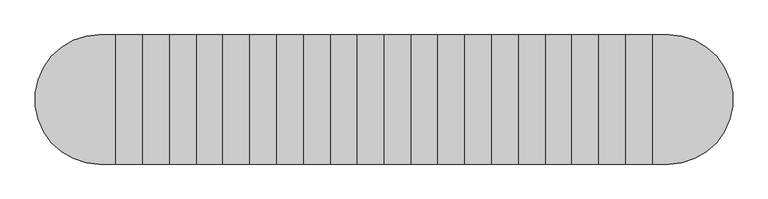
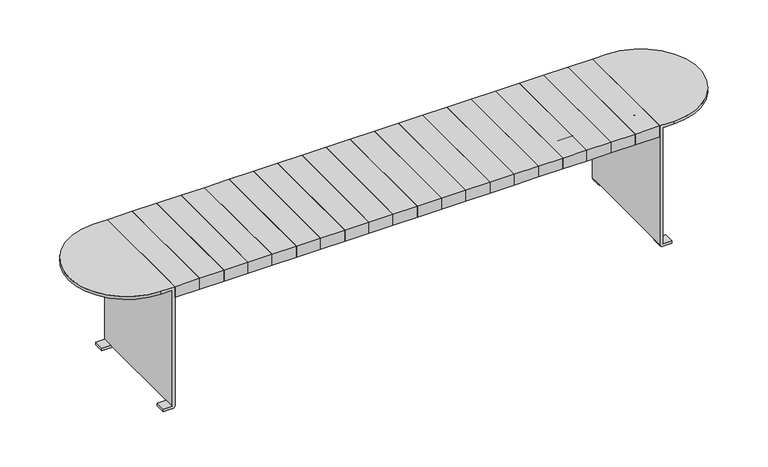
"""IFC4 building model written with IfcOpenShell, lengths in millimetres: furniture geometry."""

import ifcopenshell
import ifcopenshell.guid

model = None  # the IFC model being written
_history = None  # IfcOwnerHistory: only IFC2X3 demands one
_inside = {}  # id of a spatial element -> (the spatial element, [elements in it])
_under = {}  # id of a project, library or spatial element -> (it, [spatial elements below it])
_declared = {}  # id of a project -> (the project, [libraries it declares])
_typed = {}  # id of a type object -> (the type object, [elements of that type])
_made_of = {}  # id of a material, layer set ... -> (it, [elements and type objects made of it])


def new_model(schema):
    """Start an empty IFC model of exactly this schema.

    Asked for "IFC4X3", IfcOpenShell would pick the latest addendum, in which some entities
    have other attributes; the version numbers below select the first issue.
    IFC2X3 requires an IfcOwnerHistory on every rooted entity: one is made here for all.
    """
    global model, _history
    if schema == "IFC4X3":
        model = ifcopenshell.file(schema_version=(4, 3, 0, 0))
    else:
        model = ifcopenshell.file(schema=schema)
    _inside.clear()
    _under.clear()
    _declared.clear()
    _typed.clear()
    _made_of.clear()
    _history = None
    if model.schema == "IFC2X3":
        org = make("IfcOrganization", Name="unknown")
        user = make(
            "IfcPersonAndOrganization",
            ThePerson=make("IfcPerson", FamilyName="unknown"),
            TheOrganization=org,
        )
        app = make(
            "IfcApplication",
            ApplicationDeveloper=org,
            Version="unknown",
            ApplicationFullName="unknown",
            ApplicationIdentifier="unknown",
        )
        _history = make(
            "IfcOwnerHistory",
            OwningUser=user,
            OwningApplication=app,
            ChangeAction="ADDED",
            CreationDate=0,
        )
    return model


def make(cls, **values):
    """One entity of the class cls with the attributes given. An attribute that is None is left unset."""
    return model.create_entity(
        cls, **{name: value for name, value in values.items() if value is not None}
    )


def rooted(cls, **values):
    """An entity with a GlobalId (a new one), such as an element, a storey or a relation."""
    return make(cls, GlobalId=ifcopenshell.guid.new(), OwnerHistory=_history, **values)


def si_unit(unit_type, name, prefix=None):
    """IfcSIUnit, for example si_unit("LENGTHUNIT", "METRE", prefix="MILLI")."""
    return make("IfcSIUnit", UnitType=unit_type, Prefix=prefix, Name=name)


def assignment(units):
    """IfcUnitAssignment: the units of a project."""
    return None if units is None else make("IfcUnitAssignment", Units=units)


def point(xyz):
    """IfcCartesianPoint."""
    return None if xyz is None else make("IfcCartesianPoint", Coordinates=xyz)


def direction(xyz):
    """IfcDirection."""
    return None if xyz is None else make("IfcDirection", DirectionRatios=xyz)


def frame(location, z_axis=None, x_axis=None):
    """IfcAxis2Placement3D, a coordinate frame: its origin and axes. An axis left out is left unset."""
    return make(
        "IfcAxis2Placement3D",
        Location=point(location),
        Axis=direction(z_axis),
        RefDirection=direction(x_axis),
    )


def origin():
    """The frame at (0, 0, 0) with its axes left unset."""
    return frame((0.0, 0.0, 0.0))


def place(relative_to, where):
    """IfcLocalPlacement: puts the frame where relative to a parent placement (None: the world)."""
    return make(
        "IfcLocalPlacement", PlacementRelTo=relative_to, RelativePlacement=where
    )


def context(
    kind, dimensions, precision=None, world=None, true_north=None, identifier=None
):
    """IfcGeometricRepresentationContext, for example the 3D "Model" context."""
    return make(
        "IfcGeometricRepresentationContext",
        ContextIdentifier=identifier,
        ContextType=kind,
        CoordinateSpaceDimension=dimensions,
        Precision=precision,
        WorldCoordinateSystem=world,
        TrueNorth=true_north,
    )


def project(units=None, contexts=None):
    """IfcProject with its units and contexts."""
    return rooted(
        "IfcProject",
        Name="project",
        RepresentationContexts=contexts,
        UnitsInContext=assignment(units),
    )


def spatial(cls, under=None, at=None, **own):
    """A site, building, storey or space (cls), placed at a placement, below another one or the project."""
    s = rooted(cls, ObjectPlacement=at, **own)
    if under is not None:
        _under.setdefault(under.id(), (under, []))[1].append(s)
    return s


def polyline(points):
    """IfcPolyline through the points."""
    return make("IfcPolyline", Points=[point(p) for p in points])


def circle_curve(where, radius):
    """IfcCircle in the frame where."""
    return make("IfcCircle", Position=where, Radius=radius)


def outline(outer, holes=None, kind="AREA"):
    """IfcArbitraryClosedProfileDef: a profile drawn as a closed curve; with holes, ...WithVoids."""
    if holes is None:
        return make("IfcArbitraryClosedProfileDef", ProfileType=kind, OuterCurve=outer)
    return make(
        "IfcArbitraryProfileDefWithVoids",
        ProfileType=kind,
        OuterCurve=outer,
        InnerCurves=holes,
    )


def extrude(swept, where, along, depth):
    """IfcExtrudedAreaSolid: the profile swept, set in the frame where, extruded along a direction by depth."""
    return make(
        "IfcExtrudedAreaSolid",
        SweptArea=swept,
        Position=where,
        ExtrudedDirection=direction(along),
        Depth=depth,
    )


def shape(context_of_items, identifier, shape_type, items):
    """IfcShapeRepresentation: the items that make up one representation, for example the "Body"."""
    return make(
        "IfcShapeRepresentation",
        ContextOfItems=context_of_items,
        RepresentationIdentifier=identifier,
        RepresentationType=shape_type,
        Items=items,
    )


def source(mapping_origin, context_of_items, identifier, shape_type, items):
    """IfcRepresentationMap: a shape defined once, which mapped items show again and again."""
    return make(
        "IfcRepresentationMap",
        MappingOrigin=mapping_origin,
        MappedRepresentation=shape(context_of_items, identifier, shape_type, items),
    )


def transform(
    local_origin,
    x_axis=None,
    y_axis=None,
    z_axis=None,
    scale=None,
    scale2=None,
    scale3=None,
    uniform=True,
):
    """IfcCartesianTransformationOperator3D, or its non-uniform kind. x_axis, y_axis, z_axis: its Axis1, 2, 3."""
    if uniform:
        return make(
            "IfcCartesianTransformationOperator3D",
            Axis1=direction(x_axis),
            Axis2=direction(y_axis),
            LocalOrigin=point(local_origin),
            Scale=scale,
            Axis3=direction(z_axis),
        )
    return make(
        "IfcCartesianTransformationOperator3DnonUniform",
        Axis1=direction(x_axis),
        Axis2=direction(y_axis),
        LocalOrigin=point(local_origin),
        Scale=scale,
        Axis3=direction(z_axis),
        Scale2=scale2,
        Scale3=scale3,
    )


def mapped(mapping_source, mapping_target):
    """IfcMappedItem: shows the shape of a source again, moved by a transform."""
    return make(
        "IfcMappedItem", MappingSource=mapping_source, MappingTarget=mapping_target
    )


def made_of(thing, what):
    """Note that an element or type object is made of a material, layer set ...; save() writes the relation."""
    if what is not None:
        _made_of.setdefault(what.id(), (what, []))[1].append(thing)
    return thing


def element(
    cls,
    number,
    at=None,
    inside=None,
    cuts=None,
    type_object=None,
    material=None,
    context=None,
    identifier="Body",
    shape_type=None,
    held_by="IfcProductDefinitionShape",
    body=None,
    shapes=None,
    **own,
):
    """One element of the class cls, such as IfcWall. Its Tag is "e" and its number.

    at: its placement. inside: the storey or other place that contains it. cuts: it is an
    opening in that element (IfcRelVoidsElement). A single representation is given by context,
    identifier, shape_type and body (its items); several are given by shapes. held_by: the class
    of the entity that holds the representations. save() writes the other relations.
    """
    e = rooted(cls, Tag="e%d" % number, ObjectPlacement=at, **own)
    if body is not None:
        shapes = [shape(context, identifier, shape_type, body)]
    if shapes is not None:
        e.Representation = make(held_by, Representations=shapes)
    if inside is not None:
        _inside.setdefault(inside.id(), (inside, []))[1].append(e)
    if cuts is not None:
        rooted(
            "IfcRelVoidsElement", RelatingBuildingElement=cuts, RelatedOpeningElement=e
        )
    if type_object is not None:
        _typed.setdefault(type_object.id(), (type_object, []))[1].append(e)
    return made_of(e, material)


def aggregate(whole, parts):
    """IfcRelAggregates: a whole, such as a stair, and the parts it consists of."""
    return rooted("IfcRelAggregates", RelatingObject=whole, RelatedObjects=parts)


def save(model, path):
    """Write the relations noted so far, then the file.

    IfcRelAggregates (storeys below a building ...), IfcRelContainedInSpatialStructure (elements
    in a storey), IfcRelDefinesByType, IfcRelAssociatesMaterial and IfcRelDeclares: one each for
    every whole, place, type object, material and project.
    """
    for whole, parts in _under.values():
        aggregate(whole, parts)
    for where, things in _inside.values():
        rooted(
            "IfcRelContainedInSpatialStructure",
            RelatedElements=things,
            RelatingStructure=where,
        )
    for kind, things in _typed.values():
        rooted("IfcRelDefinesByType", RelatedObjects=things, RelatingType=kind)
    for what, things in _made_of.values():
        rooted("IfcRelAssociatesMaterial", RelatedObjects=things, RelatingMaterial=what)
    for by, libraries in _declared.values():
        rooted("IfcRelDeclares", RelatingContext=by, RelatedDefinitions=libraries)
    model.write(path)


def plane_surface(at):
    """IfcPlane: the flat surface through the origin of the frame at, square to its z axis."""
    return make("IfcPlane", Position=at)


def cylinder_surface(at, radius):
    """IfcCylindricalSurface: all points at the distance radius from the z axis of the frame at."""
    return make("IfcCylindricalSurface", Position=at, Radius=radius)


def revolved_surface(curve, axis_point, axis_direction):
    """IfcSurfaceOfRevolution: the curve turned about the line through axis_point along axis_direction."""
    return make(
        "IfcSurfaceOfRevolution",
        SweptCurve=make("IfcArbitraryOpenProfileDef", ProfileType="CURVE", Curve=curve),
        AxisPosition=make("IfcAxis1Placement", Location=point(axis_point), Axis=direction(axis_direction)),
    )


def advanced_brep(points, edges, surfaces, faces):
    """IfcAdvancedBrep: a solid bounded by faces that lie on surfaces and meet in shared edges.

    An edge is (start, end): straight between two places in points (the first is 0);
    or (start, end, curve); or (start, end, curve, False) where it runs against its curve.
    A face is (place in surfaces, loops), or (place, loops, False) where it looks against
    its surface's normal. A loop lists edges by number (the first is 1), with a minus sign
    where the edge is run from its end to its start. The first loop is the outer one.
    """
    corners = [point(p) for p in points]
    vertices = [make("IfcVertexPoint", VertexGeometry=c) for c in corners]
    made = []
    for start, end, *more in edges:
        made.append(
            make(
                "IfcEdgeCurve",
                EdgeStart=vertices[start],
                EdgeEnd=vertices[end],
                EdgeGeometry=more[0] if more else make("IfcPolyline", Points=[corners[start], corners[end]]),
                SameSense=more[1] if len(more) > 1 else True,
            )
        )
    hull = []
    for where, loops, *sense in faces:
        bounds = []
        for j, loop in enumerate(loops):
            ring = [make("IfcOrientedEdge", EdgeElement=made[abs(k) - 1], Orientation=k > 0) for k in loop]
            bounds.append(
                make(
                    "IfcFaceOuterBound" if j == 0 else "IfcFaceBound",
                    Bound=make("IfcEdgeLoop", EdgeList=ring),
                    Orientation=True,
                )
            )
        hull.append(make("IfcAdvancedFace", Bounds=bounds, FaceSurface=surfaces[where], SameSense=sense[0] if sense else True))
    return make("IfcAdvancedBrep", Outer=make("IfcClosedShell", CfsFaces=hull))


def furniture_bc747d1f(model_context):
    return source(origin(), model_context, "Body", "SolidModel", [
        advanced_brep(
        [(-438.9493478, 55.5135142, 364.1867082), (-438.9493478, 60.5135142, 364.1867082), (-473.9493478, 60.513034, 364.1867082), (-473.9493478, 55.5135142, 364.1867082), (438.9493478, 55.5135142, 364.1867082), (438.9493478, 60.5135142, 364.1867082), (473.9493478, 60.513034, 364.1867082), (473.9493478, 55.5135142, 364.1867082), (826.379425, 60.513034, 394.6382749), (826.379425, 61.513034, 395.6382749), (826.379425, 62.4997599, 395.6382749), (826.379425, 62.4997599, 400.6382749), (826.379425, 61.513034, 400.6382749), (826.379425, 55.513034, 394.6382749), (826.379425, 55.513034, 393.1147491), (826.379425, 60.513034, 393.1147491), (-826.379425, 55.513034, 394.6382749), (-826.379425, 61.513034, 400.6382749), (-826.379425, 62.4997599, 400.6382749), (-826.379425, 62.4997599, 395.6382749), (-826.379425, 61.513034, 395.6382749), (-826.379425, 60.513034, 394.6382749), (-826.379425, 60.513034, 393.1147491), (-826.379425, 55.513034, 393.1147491), (826.379425, 55.513034, 340.151549), (-826.379425, 55.513034, 340.151549), (-826.379425, 60.513034, 340.151549), (826.379425, 60.513034, 340.151549), (831.379425, 62.4997599, 400.6382749), (831.379425, 99.9997599, 400.6382749), (-831.379425, 99.9997599, 400.6382749), (-831.379425, 62.4997599, 400.6382749), (-826.379425, 99.9997599, 395.6382749), (826.379425, 99.9997599, 395.6382749), (-826.379425, 62.4997599, 393.1147491), (-826.379425, -55.513034, 393.1147491), (-826.379425, -55.513034, 340.151549), (-826.379425, -60.513034, 340.151549), (-826.379425, -60.513034, 393.1147491), (-826.379425, -62.4997599, 393.1147491), (-826.379425, -62.4997599, 395.6382749), (-826.379425, -99.9997599, 395.6382749), (-826.379425, -99.9997599, 347.7588499), (-826.379425, 100.0002401, 347.7588499), (-831.379425, 100.0002401, 347.7588499), (-831.379425, -99.9997599, 347.7588499), (-831.379425, -99.9997599, 400.6382749), (-831.379425, -62.4997599, 400.6382749), (-831.379425, -62.4997599, 393.1147491), (-831.379425, 62.4997599, 393.1147491), (831.379425, 100.0002401, 347.7588499), (826.379425, 100.0002401, 347.7588499), (826.379425, -99.9997599, 395.6382749), (826.379425, -99.9997599, 347.7588499), (831.379425, -99.9997599, 347.7588499), (831.379425, -99.9997599, 400.6382749), (-826.379425, -62.4997599, 400.6382749), (831.379425, -62.4997599, 400.6382749), (831.379425, -62.4997599, 393.1147491), (826.379425, -62.4997599, 393.1147491), (826.379425, -62.4997599, 395.6382749), (826.379425, -62.4997599, 400.6382749), (826.379425, -61.513034, 400.6382749), (-826.379425, -61.513034, 400.6382749), (-826.379425, -61.513034, 395.6382749), (826.379425, -61.513034, 395.6382749), (826.379425, -60.513034, 393.1147491), (826.379425, -60.513034, 340.151549), (826.379425, -55.513034, 340.151549), (826.379425, -55.513034, 393.1147491), (826.379425, 62.4997599, 393.1147491), (831.379425, 62.4997599, 393.1147491), (826.379425, -55.513034, 394.6382749), (826.379425, -60.513034, 394.6382749), (-826.379425, -60.513034, 394.6382749), (-826.379425, -55.513034, 394.6382749)],
        [
            (0, 1),
            (1, 2, circle_curve(frame((-456.4493478, 60.513034, 364.1867082), z_axis=(0.0, 1.0, 0.0), x_axis=(1.0, 0.0, 0.0)), 17.5)),
            (2, 3),
            (3, 0, circle_curve(frame((-456.4493478, 55.513034, 364.1867082), z_axis=(0.0, -1.0, 0.0), x_axis=(1.0, 0.0, 0.0)), 17.5)),
            (0, 3, circle_curve(frame((-456.4493478, 55.513034, 364.1867082), z_axis=(0.0, -1.0, 0.0), x_axis=(1.0, 0.0, 0.0)), 17.5)),
            (2, 1, circle_curve(frame((-456.4493478, 60.513034, 364.1867082), z_axis=(0.0, 1.0, 0.0), x_axis=(1.0, 0.0, 0.0)), 17.5)),
            (4, 5),
            (5, 6, circle_curve(frame((456.4493478, 60.513034, 364.1867082), z_axis=(0.0, 1.0, 0.0), x_axis=(-1.0, 0.0, 0.0)), 17.5)),
            (6, 7),
            (7, 4, circle_curve(frame((456.4493478, 55.513034, 364.1867082), z_axis=(0.0, -1.0, 0.0), x_axis=(-1.0, 0.0, 0.0)), 17.5)),
            (4, 7, circle_curve(frame((456.4493478, 55.513034, 364.1867082), z_axis=(0.0, -1.0, 0.0), x_axis=(-1.0, 0.0, 0.0)), 17.5)),
            (6, 5, circle_curve(frame((456.4493478, 60.513034, 364.1867082), z_axis=(0.0, 1.0, 0.0), x_axis=(-1.0, 0.0, 0.0)), 17.5)),
            (8, 9, circle_curve(frame((826.379425, 61.513034, 394.6382749), z_axis=(-1.0, 0.0, 0.0), x_axis=(0.0, 1.0, 0.0)), 1.0)),
            (9, 10),
            (10, 11),
            (11, 12),
            (12, 13, circle_curve(frame((826.379425, 61.513034, 394.6382749), z_axis=(1.0, 0.0, 0.0), x_axis=(0.0, 1.0, 0.0)), 6.0)),
            (13, 14),
            (14, 15),
            (15, 8),
            (16, 17, circle_curve(frame((-826.379425, 61.513034, 394.6382749), z_axis=(-1.0, 0.0, 0.0), x_axis=(0.0, 1.0, 0.0)), 6.0)),
            (17, 18),
            (18, 19),
            (19, 20),
            (20, 21, circle_curve(frame((-826.379425, 61.513034, 394.6382749), z_axis=(1.0, 0.0, 0.0), x_axis=(0.0, 1.0, 0.0)), 1.0)),
            (21, 22),
            (22, 23),
            (23, 16),
            (24, 25),
            (25, 26),
            (26, 27),
            (27, 24),
            (24, 14),
            (13, 16),
            (23, 25),
            (12, 17),
            (11, 28),
            (28, 29),
            (29, 30),
            (30, 31),
            (31, 18),
            (9, 20),
            (19, 32),
            (32, 33),
            (33, 10),
            (8, 21),
            (26, 22),
            (15, 27),
            (19, 34),
            (34, 22),
            (23, 35),
            (35, 36),
            (36, 37),
            (37, 38),
            (38, 39),
            (39, 40),
            (40, 41),
            (41, 42),
            (42, 43, circle_curve(frame((-826.379425, 0.0002401, 421.080061), z_axis=(1.0, 0.0, 0.0), x_axis=(0.0, -0.8064516129032312, -0.5913000896717141)), 124.0)),
            (43, 32),
            (44, 45, circle_curve(frame((-831.379425, 0.0002401, 421.080061), z_axis=(-1.0, 0.0, 0.0), x_axis=(0.0, -0.8064516129032312, -0.5913000896717141)), 124.0)),
            (45, 46),
            (46, 47),
            (47, 48),
            (48, 49),
            (49, 31),
            (30, 44),
            (43, 44),
            (29, 50),
            (50, 51),
            (51, 33),
            (34, 49),
            (48, 39),
            (38, 35),
            (45, 42),
            (41, 52),
            (52, 53),
            (53, 54),
            (54, 55),
            (55, 46),
            (47, 56),
            (56, 40),
            (57, 58),
            (58, 59),
            (59, 60),
            (60, 61),
            (61, 57),
            (55, 57),
            (61, 62),
            (62, 63),
            (63, 56),
            (40, 64),
            (64, 65),
            (65, 60),
            (60, 52),
            (59, 66),
            (66, 67),
            (67, 68),
            (68, 69),
            (69, 14),
            (15, 70),
            (70, 10),
            (51, 53, circle_curve(frame((826.379425, 0.0002401, 421.080061), z_axis=(-1.0, 0.0, 0.0), x_axis=(0.0, -0.8064516129032312, -0.5913000896717141)), 124.0)),
            (54, 50, circle_curve(frame((831.379425, 0.0002401, 421.080061), z_axis=(1.0, 0.0, 0.0), x_axis=(0.0, -0.8064516129032312, -0.5913000896717141)), 124.0)),
            (28, 71),
            (71, 58),
            (72, 62, circle_curve(frame((826.379425, -61.513034, 394.6382749), z_axis=(1.0, 0.0, 0.0), x_axis=(0.0, -1.0, 0.0)), 6.0)),
            (65, 73, circle_curve(frame((826.379425, -61.513034, 394.6382749), z_axis=(-1.0, 0.0, 0.0), x_axis=(0.0, -1.0, 0.0)), 1.0)),
            (73, 66),
            (66, 69),
            (69, 72),
            (74, 64, circle_curve(frame((-826.379425, -61.513034, 394.6382749), z_axis=(1.0, 0.0, 0.0), x_axis=(0.0, -1.0, 0.0)), 1.0)),
            (63, 75, circle_curve(frame((-826.379425, -61.513034, 394.6382749), z_axis=(-1.0, 0.0, 0.0), x_axis=(0.0, -1.0, 0.0)), 6.0)),
            (75, 35),
            (38, 74),
            (67, 37),
            (36, 68),
            (75, 72),
            (74, 73),
            (71, 70),
        ],
        [
            revolved_surface(polyline([(-438.9493478, 55.513034, 364.1867082), (-438.9493478, 60.5135142, 364.1867082)]), (-456.4493478, 60.5135142, 364.1867082), (0.0, -1.0, 0.0)),
            revolved_surface(polyline([(438.9493478, 55.513034, 364.1867082), (438.9493478, 60.5135142, 364.1867082)]), (456.4493478, 0.0, 364.1867082), (0.0, -1.0, 0.0)),
            plane_surface(frame((826.379425, 60.513034, 394.6382749), z_axis=(1.0, 0.0, 0.0), x_axis=(0.0, 0.0, 1.0))),
            plane_surface(frame((-826.379425, 60.513034, 394.6382749), z_axis=(-1.0, 0.0, 0.0), x_axis=(0.0, 0.0, -1.0))),
            plane_surface(frame((826.379425, 55.513034, 340.151549), z_axis=(0.0, 0.0, -1.0), x_axis=(-1.0, 0.0, 0.0))),
            plane_surface(frame((826.379425, 55.513034, 394.6382749), z_axis=(0.0, -1.0, 0.0), x_axis=(-1.0, 0.0, 0.0))),
            cylinder_surface(frame((-826.379425, 61.513034, 394.6382749), z_axis=(1.0, 0.0, 0.0), x_axis=(0.0, 1.0, 0.0)), 6.0),
            plane_surface(frame((826.379425, 62.4997599, 400.6382749), z_axis=(0.0, 0.0, 1.0), x_axis=(-1.0, 0.0, 0.0))),
            plane_surface(frame((826.379425, 61.513034, 395.6382749), z_axis=(0.0, 0.0, -1.0), x_axis=(-1.0, 0.0, 0.0))),
            revolved_surface(polyline([(-826.379425, 62.513034, 394.6382749), (826.379425, 62.513034, 394.6382749)]), (-826.379425, 61.513034, 394.6382749), (-1.0, 0.0, 0.0)),
            plane_surface(frame((826.379425, 60.513034, 340.151549), z_axis=(0.0, 1.0, 0.0), x_axis=(-1.0, 0.0, 0.0))),
            plane_surface(frame((-826.379425, 100.0002401, 347.7588499), z_axis=(1.0, 0.0, 0.0), x_axis=(0.0, 0.0, 1.0))),
            plane_surface(frame((-831.379425, 100.0002401, 347.7588499), z_axis=(-1.0, 0.0, 0.0), x_axis=(0.0, 0.0, -1.0))),
            plane_surface(frame((-826.379425, 100.0002401, 347.7588499), z_axis=(0.0, 1.0, 0.0), x_axis=(-1.0, 0.0, 0.0))),
            plane_surface(frame((-826.379425, 100.0002401, 393.1147491), z_axis=(0.0, 0.0, 1.0), x_axis=(-1.0, 0.0, 0.0))),
            plane_surface(frame((-826.379425, -99.9997599, 393.1147491), z_axis=(0.0, -1.0, 0.0), x_axis=(-1.0, 0.0, 0.0))),
            cylinder_surface(frame((-831.379425, 0.0002401, 421.080061), z_axis=(1.0000000000000002, 0.0, 0.0), x_axis=(0.0, -0.8064516129032312, -0.5913000896717141)), 124.0),
            plane_surface(frame((826.379425, -62.4997599, 393.1147491), z_axis=(0.0, 1.0, 0.0), x_axis=(0.0, 0.0, 1.0))),
            plane_surface(frame((831.379425, -99.9997599, 400.6382749), z_axis=(0.0, 0.0, 1.0), x_axis=(0.0, 1.0, 0.0))),
            plane_surface(frame((-826.379425, -99.9997599, 395.6382749), z_axis=(0.0, 0.0, -1.0), x_axis=(0.0, 1.0, 0.0))),
            plane_surface(frame((826.379425, -99.9997599, 395.6382749), z_axis=(-1.0, 0.0, 0.0), x_axis=(0.0, 1.0, 0.0))),
            plane_surface(frame((831.379425, -99.9997599, 393.1147491), z_axis=(1.0, 0.0, 0.0), x_axis=(0.0, 1.0, 0.0))),
            plane_surface(frame((826.379425, -60.513034, 340.151549), z_axis=(1.0, 0.0, 0.0), x_axis=(0.0, 1.0, 0.0))),
            plane_surface(frame((-826.379425, -60.513034, 340.151549), z_axis=(-1.0, 0.0, 0.0), x_axis=(0.0, -1.0, 0.0))),
            plane_surface(frame((826.379425, -60.513034, 340.151549), z_axis=(0.0, 0.0, -1.0), x_axis=(-1.0, 0.0, 0.0))),
            plane_surface(frame((826.379425, -55.513034, 340.151549), z_axis=(0.0, 1.0, 0.0), x_axis=(-1.0, 0.0, 0.0))),
            cylinder_surface(frame((-826.379425, -61.513034, 394.6382749), z_axis=(1.0, 0.0, 0.0), x_axis=(0.0, -1.0, 0.0)), 6.0),
            revolved_surface(polyline([(-826.379425, -62.513034, 394.6382749), (826.379425, -62.513034, 394.6382749)]), (-826.379425, -61.513034, 394.6382749), (-1.0, 0.0, 0.0)),
            plane_surface(frame((826.379425, -60.513034, 394.6382749), z_axis=(0.0, -1.0, 0.0), x_axis=(-1.0, 0.0, 0.0))),
            plane_surface(frame((826.379425, -99.9997599, 393.1147491), z_axis=(0.0, 0.0, 1.0), x_axis=(1.0, 0.0, 0.0))),
            cylinder_surface(frame((831.379425, 0.0002401, 421.080061), z_axis=(-1.0000000000000002, 0.0, 0.0), x_axis=(0.0, -0.8064516129032312, -0.5913000896717141)), 124.0),
            plane_surface(frame((-825.879425, 62.4997599, 395.6382749), z_axis=(0.0, -1.0, 0.0), x_axis=(1.0, 0.0, 0.0))),
        ],
        [
            (0, [[1, 2, 3, 4]]),
            (0, [[-1, 5, -3, 6]]),
            (1, [[7, 8, 9, 10]]),
            (1, [[-7, 11, -9, 12]]),
            (2, [[13, 14, 15, 16, 17, 18, 19, 20]]),
            (3, [[21, 22, 23, 24, 25, 26, 27, 28]]),
            (4, [[29, 30, 31, 32]]),
            (5, [[-29, 33, -18, 34, -28, 35], [-4, -5], [-10, -11]]),
            (6, [[-17, 36, -21, -34]]),
            (7, [[-16, 37, 38, 39, 40, 41, -22, -36]]),
            (8, [[-14, 42, -24, 43, 44, 45]]),
            (9, [[-13, 46, -25, -42]]),
            (10, [[-31, 47, -26, -46, -20, 48], [-2, -6], [-8, -12]]),
            (11, [[-43, 49, 50, -47, -30, -35, 51, 52, 53, 54, 55, 56, 57, 58, 59, 60]]),
            (12, [[61, 62, 63, 64, 65, 66, -40, 67]]),
            (13, [[-60, 68, -67, -39, 69, 70, 71, -44]]),
            (14, [[-27, -50, 72, -65, 73, -55, 74, -51]]),
            (15, [[75, -58, 76, 77, 78, 79, 80, -62]]),
            (16, [[-59, -75, -61, -68]]),
            (17, [[-56, -73, -64, 81, 82]]),
            (17, [[83, 84, 85, 86, 87]]),
            (18, [[-80, 88, -87, 89, 90, 91, -81, -63]]),
            (19, [[-76, -57, 92, 93, 94, 95]]),
            (20, [[-85, 96, 97, 98, 99, 100, -33, -32, -48, 101, 102, -45, -71, 103, -77, -95]]),
            (21, [[-83, -88, -79, 104, -69, -38, 105, 106]]),
            (22, [[107, -89, -86, -94, 108, 109, 110, 111]]),
            (23, [[112, -92, -82, -91, 113, 114, -74, 115]]),
            (24, [[116, -53, 117, -98]]),
            (25, [[-117, -52, -114, 118, -111, -99]]),
            (26, [[-107, -118, -113, -90]]),
            (27, [[-108, -93, -112, 119]]),
            (28, [[-116, -97, -109, -119, -115, -54]]),
            (29, [[-100, -110, -96, -84, -106, 120, -101, -19]]),
            (30, [[-103, -70, -104, -78]]),
            (31, [[-66, -72, -49, -23, -41]]),
            (31, [[-102, -120, -105, -37, -15]]),
        ],
    ),
        extrude(outline(polyline([(83.1700951, -200.0), (0.0, -200.0), (0.0, 200.0), (83.1700951, 200.0), (83.1700951, -200.0)])), frame((0.0, 0.0, 400.6382749), z_axis=(0.0, 0.0, 1.0), x_axis=(1.0, 0.0, 0.0)), (0.0, 0.0, 1.0), 39.120575),
        extrude(outline(polyline([(165.5884938, -200.0), (83.1700951, -200.0), (83.1700951, 200.0), (165.5884938, 200.0), (165.5884938, -200.0)])), frame((0.0, 0.0, 400.6382749), z_axis=(0.0, 0.0, 1.0), x_axis=(1.0, 0.0, 0.0)), (0.0, 0.0, 1.0), 39.120575),
        extrude(outline(polyline([(249.0266735, -200.0), (165.5884938, -200.0), (165.5884938, 200.0), (249.0266735, 200.0), (249.0266735, -200.0)])), frame((0.0, 0.0, 400.6382749), z_axis=(0.0, 0.0, 1.0), x_axis=(1.0, 0.0, 0.0)), (0.0, 0.0, 1.0), 39.120575),
        extrude(outline(polyline([(331.8102592, -200.0), (249.0266735, -200.0), (249.0266735, 200.0), (331.8102592, 200.0), (331.8102592, -200.0)])), frame((0.0, 0.0, 400.6382749), z_axis=(0.0, 0.0, 1.0), x_axis=(1.0, 0.0, 0.0)), (0.0, 0.0, 1.0), 39.120575),
        extrude(outline(polyline([(415.2051572, -200.0), (331.8102592, -200.0), (331.8102592, 200.0), (415.2051572, 200.0), (415.2051572, -200.0)])), frame((0.0, 0.0, 400.6382749), z_axis=(0.0, 0.0, 1.0), x_axis=(1.0, 0.0, 0.0)), (0.0, 0.0, 1.0), 39.120575),
        extrude(outline(polyline([(498.7851293, -200.0), (415.2051572, -200.0), (415.2051572, 200.0), (498.7851293, 200.0), (498.7851293, -200.0)])), frame((0.0, 0.0, 400.6382749), z_axis=(0.0, 0.0, 1.0), x_axis=(1.0, 0.0, 0.0)), (0.0, 0.0, 1.0), 39.120575),
        extrude(outline(polyline([(580.2051572, -200.0), (498.7851293, -200.0), (498.7851293, 200.0), (580.2051572, 200.0), (580.2051572, -200.0)])), frame((0.0, 0.0, 400.6382749), z_axis=(0.0, 0.0, 1.0), x_axis=(1.0, 0.0, 0.0)), (0.0, 0.0, 1.0), 39.120575),
        extrude(outline(polyline([(663.7851293, -200.0), (580.2051572, -200.0), (580.2051572, 200.0), (663.7851293, 200.0), (663.7851293, -200.0)])), frame((0.0, 0.0, 400.6382749), z_axis=(0.0, 0.0, 1.0), x_axis=(1.0, 0.0, 0.0)), (0.0, 0.0, 1.0), 39.120575),
        extrude(outline(polyline([(746.8041619, -200.0), (663.7851293, -200.0), (663.7851293, 200.0), (746.8041619, 200.0), (746.8041619, -200.0)])), frame((0.0, 0.0, 400.6382749), z_axis=(0.0, 0.0, 1.0), x_axis=(1.0, 0.0, 0.0)), (0.0, 0.0, 1.0), 39.120575),
        extrude(outline(polyline([(831.379425, -200.0), (746.8041619, -200.0), (746.8041619, 200.0), (831.379425, 200.0), (831.379425, -200.0)])), frame((0.0, 0.0, 400.6382749), z_axis=(0.0, 0.0, 1.0), x_axis=(1.0, 0.0, 0.0)), (0.0, 0.0, 1.0), 39.120575),
        extrude(outline(polyline([(0.0, -200.0), (-83.1700951, -200.0), (-83.1700951, 200.0), (0.0, 200.0), (0.0, -200.0)])), frame((0.0, 0.0, 400.6382749), z_axis=(0.0, 0.0, 1.0), x_axis=(1.0, 0.0, 0.0)), (0.0, 0.0, 1.0), 39.120575),
        extrude(outline(polyline([(-83.1700951, -200.0), (-165.5884938, -200.0), (-165.5884938, 200.0), (-83.1700951, 200.0), (-83.1700951, -200.0)])), frame((0.0, 0.0, 400.6382749), z_axis=(0.0, 0.0, 1.0), x_axis=(1.0, 0.0, 0.0)), (0.0, 0.0, 1.0), 39.120575),
        extrude(outline(polyline([(-165.5884938, -200.0), (-249.0266735, -200.0), (-249.0266735, 200.0), (-165.5884938, 200.0), (-165.5884938, -200.0)])), frame((0.0, 0.0, 400.6382749), z_axis=(0.0, 0.0, 1.0), x_axis=(1.0, 0.0, 0.0)), (0.0, 0.0, 1.0), 39.120575),
        extrude(outline(polyline([(-249.0266735, -200.0), (-331.8102592, -200.0), (-331.8102592, 200.0), (-249.0266735, 200.0), (-249.0266735, -200.0)])), frame((0.0, 0.0, 400.6382749), z_axis=(0.0, 0.0, 1.0), x_axis=(1.0, 0.0, 0.0)), (0.0, 0.0, 1.0), 39.120575),
        extrude(outline(polyline([(-331.8102592, -200.0), (-415.2051572, -200.0), (-415.2051572, 200.0), (-331.8102592, 200.0), (-331.8102592, -200.0)])), frame((0.0, 0.0, 400.6382749), z_axis=(0.0, 0.0, 1.0), x_axis=(1.0, 0.0, 0.0)), (0.0, 0.0, 1.0), 39.120575),
        extrude(outline(polyline([(-415.2051572, -200.0), (-498.7851293, -200.0), (-498.7851293, 200.0), (-415.2051572, 200.0), (-415.2051572, -200.0)])), frame((0.0, 0.0, 400.6382749), z_axis=(0.0, 0.0, 1.0), x_axis=(1.0, 0.0, 0.0)), (0.0, 0.0, 1.0), 39.120575),
        extrude(outline(polyline([(-498.7851293, -200.0), (-580.2051572, -200.0), (-580.2051572, 200.0), (-498.7851293, 200.0), (-498.7851293, -200.0)])), frame((0.0, 0.0, 400.6382749), z_axis=(0.0, 0.0, 1.0), x_axis=(1.0, 0.0, 0.0)), (0.0, 0.0, 1.0), 39.120575),
        extrude(outline(polyline([(-580.2051572, -200.0), (-663.7851293, -200.0), (-663.7851293, 200.0), (-580.2051572, 200.0), (-580.2051572, -200.0)])), frame((0.0, 0.0, 400.6382749), z_axis=(0.0, 0.0, 1.0), x_axis=(1.0, 0.0, 0.0)), (0.0, 0.0, 1.0), 39.120575),
        extrude(outline(polyline([(-663.7851293, -200.0), (-746.8041619, -200.0), (-746.8041619, 200.0), (-663.7851293, 200.0), (-663.7851293, -200.0)])), frame((0.0, 0.0, 400.6382749), z_axis=(0.0, 0.0, 1.0), x_axis=(1.0, 0.0, 0.0)), (0.0, 0.0, 1.0), 39.120575),
        extrude(outline(polyline([(-746.8041619, -200.0), (-831.379425, -200.0), (-831.379425, 200.0), (-746.8041619, 200.0), (-746.8041619, -200.0)])), frame((0.0, 0.0, 400.6382749), z_axis=(0.0, 0.0, 1.0), x_axis=(1.0, 0.0, 0.0)), (0.0, 0.0, 1.0), 39.120575),
        advanced_brep(
        [(831.379425, 200.0, 439.7588499), (831.379425, -200.0, 439.7588499), (881.379425, -200.0, 439.7588499), (881.379425, 200.0, 439.7588499), (881.379425, 200.0, 429.7588499), (881.379425, -200.0, 429.7588499), (841.379425, -200.0, 429.7588499), (841.379425, 200.0, 429.7588499), (831.379425, -200.0, 10.0), (842.379425, -200.0, 0.0), (872.1382749, -200.0, 0.0), (872.1382749, -200.0, 10.0), (841.379425, -200.0, 10.0), (831.379425, 200.0, 10.0), (831.379425, 164.9997913, 10.0), (831.379425, -164.9997913, 10.0), (841.379425, 200.0, 10.0), (872.1382749, 200.0, 10.0), (872.1382749, 200.0, 0.0), (842.379425, 200.0, 0.0), (841.379425, -164.9997913, 10.0), (841.379425, 164.9997913, 10.0), (872.1382749, -164.9997913, 10.0), (872.1382749, -164.9997913, 0.0), (842.379425, -164.9997913, 0.0), (842.379425, 164.9997913, 0.0), (872.1382749, 164.9997913, 0.0), (872.1382749, 164.9997913, 10.0)],
        [
            (0, 1),
            (1, 2),
            (2, 3, circle_curve(frame((881.379425, 0.0, 439.7588499), z_axis=(0.0, 0.0, 1.0), x_axis=(0.0, 1.0, 0.0)), 200.0)),
            (3, 0),
            (4, 5, circle_curve(frame((881.379425, 0.0, 429.7588499), z_axis=(0.0, 0.0, -1.0), x_axis=(0.0, 1.0, 0.0)), 200.0)),
            (5, 6),
            (6, 7),
            (7, 4),
            (2, 5),
            (4, 3),
            (1, 8),
            (8, 9, circle_curve(frame((841.4248795, -200.0, 10.0), z_axis=(0.0, -1.0, 0.0), x_axis=(-1.0, 0.0, 0.0)), 10.0454545)),
            (9, 10),
            (10, 11),
            (11, 12),
            (12, 6),
            (0, 13),
            (13, 14),
            (14, 15),
            (15, 8),
            (7, 16),
            (16, 17),
            (17, 18),
            (18, 19),
            (19, 13, circle_curve(frame((841.4248795, 200.0, 10.0), z_axis=(0.0, 1.0, 0.0), x_axis=(-1.0, 0.0, 0.0)), 10.0454545)),
            (12, 20),
            (20, 21),
            (21, 16),
            (20, 15),
            (14, 21),
            (20, 22),
            (22, 23),
            (23, 24),
            (24, 15, circle_curve(frame((841.4248795, -164.9997913, 10.0), z_axis=(0.0, 1.0, 0.0), x_axis=(-1.0, 0.0, 0.0)), 10.0454545)),
            (11, 22),
            (10, 23),
            (9, 24),
            (14, 25, circle_curve(frame((841.4248795, 164.9997913, 10.0), z_axis=(0.0, -1.0, 0.0), x_axis=(-1.0, 0.0, 0.0)), 10.0454545)),
            (25, 26),
            (26, 27),
            (27, 21),
            (27, 17),
            (26, 18),
            (25, 19),
        ],
        [
            plane_surface(frame((832.379425, 200.0, 439.7588499), z_axis=(0.0, 0.0, 1.0), x_axis=(-1.0, 0.0, 0.0))),
            plane_surface(frame((832.379425, 200.0, 429.7588499), z_axis=(0.0, 0.0, -1.0), x_axis=(1.0, 0.0, 0.0))),
            cylinder_surface(frame((881.379425, 0.0, 429.7588499), z_axis=(0.0, 0.0, 1.0), x_axis=(0.0, 1.0, 0.0)), 200.0),
            plane_surface(frame((831.379425, -200.0, 439.7588499), z_axis=(0.0, -1.0, 0.0), x_axis=(0.0, 0.0, -1.0))),
            plane_surface(frame((831.379425, 200.0, 439.7588499), z_axis=(-1.0, 0.0, 0.0), x_axis=(0.0, 0.0, -1.0))),
            plane_surface(frame((881.379425, 200.0, 439.7588499), z_axis=(0.0, 1.0, 0.0), x_axis=(0.0, 0.0, -1.0))),
            plane_surface(frame((841.379425, 200.0, 10.0), z_axis=(1.0, 0.0, 0.0), x_axis=(0.0, 1.0, 0.0))),
            plane_surface(frame((831.379425, 200.0, 10.0), z_axis=(0.0, 0.0, -1.0), x_axis=(1.0, 0.0, 0.0))),
            plane_surface(frame((841.379425, -164.9997913, 10.0), z_axis=(0.0, 1.0, 0.0), x_axis=(1.0, 0.0, 0.0))),
            plane_surface(frame((872.1382749, -199.9997913, 10.0), z_axis=(0.0, 0.0, 1.0), x_axis=(0.0, 1.0, 0.0))),
            plane_surface(frame((872.1382749, -199.9997913, 0.0), z_axis=(1.0, 0.0, 0.0), x_axis=(0.0, 1.0, 0.0))),
            plane_surface(frame((842.379425, -199.9997913, 0.0), z_axis=(0.0, 0.0, -1.0), x_axis=(0.0, 1.0, 0.0))),
            cylinder_surface(frame((841.4248795, -164.9997913, 10.0), z_axis=(0.0, -1.0, 0.0), x_axis=(-1.0, 0.0, 0.0)), 10.0454545),
            plane_surface(frame((872.1382749, 164.9997913, 10.0), z_axis=(0.0, -1.0, 0.0), x_axis=(-1.0, 0.0, 0.0))),
            plane_surface(frame((841.379425, 199.9997913, 10.0), z_axis=(0.0, 0.0, 1.0), x_axis=(0.0, -1.0, 0.0))),
            plane_surface(frame((872.1382749, 199.9997913, 10.0), z_axis=(1.0, 0.0, 0.0), x_axis=(0.0, -1.0, 0.0))),
            plane_surface(frame((872.1382749, 199.9997913, 0.0), z_axis=(0.0, 0.0, -1.0), x_axis=(0.0, -1.0, 0.0))),
            cylinder_surface(frame((841.4248795, 164.9997913, 10.0), z_axis=(0.0, 1.0, 0.0), x_axis=(-1.0, 0.0, 0.0)), 10.0454545),
        ],
        [
            (0, [[1, 2, 3, 4]]),
            (1, [[5, 6, 7, 8]]),
            (2, [[-3, 9, -5, 10]]),
            (3, [[-9, -2, 11, 12, 13, 14, 15, 16, -6]]),
            (4, [[-1, 17, 18, 19, 20, -11]]),
            (5, [[-10, -8, 21, 22, 23, 24, 25, -17, -4]]),
            (6, [[-16, 26, 27, 28, -21, -7]]),
            (7, [[29, -19, 30, -27]]),
            (8, [[31, 32, 33, 34, -29]]),
            (9, [[-15, 35, -31, -26]]),
            (10, [[-14, 36, -32, -35]]),
            (11, [[-13, 37, -33, -36]]),
            (12, [[-12, -20, -34, -37]]),
            (13, [[38, 39, 40, 41, -30]]),
            (14, [[-22, -28, -41, 42]]),
            (15, [[-23, -42, -40, 43]]),
            (16, [[-24, -43, -39, 44]]),
            (17, [[-25, -44, -38, -18]]),
        ],
    ),
        advanced_brep(
        [(-881.379425, 200.0, 439.7588499), (-881.379425, -200.0, 439.7588499), (-831.379425, -200.0, 439.7588499), (-831.379425, 200.0, 439.7588499), (-881.379425, -200.0, 429.7588499), (-881.379425, 200.0, 429.7588499), (-841.379425, 200.0, 429.7588499), (-841.379425, -200.0, 429.7588499), (-841.379425, -200.0, 10.0), (-872.1382749, -200.0, 10.0), (-872.1382749, -200.0, 0.0), (-842.379425, -200.0, 0.0), (-831.379425, -200.0, 10.0), (-831.379425, -164.9997913, 10.0), (-831.379425, 164.9997913, 10.0), (-831.379425, 199.9997913, 10.0), (-842.379425, 200.0, 0.0), (-872.1382749, 200.0, 0.0), (-872.1382749, 200.0, 10.0), (-841.379425, 200.0, 10.0), (-841.379425, 164.9997913, 10.0), (-841.379425, -164.9997913, 10.0), (-842.379425, -164.9997913, 0.0), (-872.1382749, -164.9997913, 0.0), (-872.1382749, -164.9997913, 10.0), (-872.1382749, 164.9997913, 10.0), (-872.1382749, 164.9997913, 0.0), (-842.379425, 164.9997913, 0.0)],
        [
            (0, 1, circle_curve(frame((-881.379425, 0.0, 439.7588499), z_axis=(0.0, 0.0, 1.0), x_axis=(0.0, 1.0, 0.0)), 200.0)),
            (1, 2),
            (2, 3),
            (3, 0),
            (4, 5, circle_curve(frame((-881.379425, 0.0, 429.7588499), z_axis=(0.0, 0.0, -1.0), x_axis=(0.0, 1.0, 0.0)), 200.0)),
            (5, 6),
            (6, 7),
            (7, 4),
            (0, 5),
            (4, 1),
            (7, 8),
            (8, 9),
            (9, 10),
            (10, 11),
            (11, 12, circle_curve(frame((-841.4248795, -200.0, 10.0), z_axis=(0.0, -1.0, 0.0), x_axis=(1.0, 0.0, 0.0)), 10.0454545)),
            (12, 2),
            (12, 13),
            (13, 14),
            (14, 15),
            (15, 3),
            (15, 16, circle_curve(frame((-841.4248795, 200.0, 10.0), z_axis=(0.0, 1.0, 0.0), x_axis=(1.0, 0.0, 0.0)), 10.0454545)),
            (16, 17),
            (17, 18),
            (18, 19),
            (19, 6),
            (19, 20),
            (20, 21),
            (21, 8),
            (13, 21),
            (20, 14),
            (13, 22, circle_curve(frame((-841.4248795, -164.9997913, 10.0), z_axis=(0.0, 1.0, 0.0), x_axis=(1.0, 0.0, 0.0)), 10.0454545)),
            (22, 23),
            (23, 24),
            (24, 21),
            (24, 9),
            (23, 10),
            (22, 11),
            (20, 25),
            (25, 26),
            (26, 27),
            (27, 14, circle_curve(frame((-841.4248795, 164.9997913, 10.0), z_axis=(0.0, -1.0, 0.0), x_axis=(1.0, 0.0, 0.0)), 10.0454545)),
            (18, 25),
            (17, 26),
            (16, 27),
        ],
        [
            plane_surface(frame((-881.379425, 200.0, 439.7588499), z_axis=(0.0, 0.0, 1.0), x_axis=(-1.0, 0.0, 0.0))),
            plane_surface(frame((-881.379425, 200.0, 429.7588499), z_axis=(0.0, 0.0, -1.0), x_axis=(1.0, 0.0, 0.0))),
            cylinder_surface(frame((-881.379425, 0.0, 429.7588499), z_axis=(0.0, 0.0, 1.0), x_axis=(0.0, 1.0, 0.0)), 200.0),
            plane_surface(frame((-881.379425, -200.0, 439.7588499), z_axis=(0.0, -1.0, 0.0), x_axis=(0.0, 0.0, -1.0))),
            plane_surface(frame((-831.379425, -200.0, 439.7588499), z_axis=(1.0, 0.0, 0.0), x_axis=(0.0, 0.0, -1.0))),
            plane_surface(frame((-831.379425, 200.0, 439.7588499), z_axis=(0.0, 1.0, 0.0), x_axis=(0.0, 0.0, -1.0))),
            plane_surface(frame((-841.379425, 200.0, 11.0), z_axis=(-1.0, 0.0, 0.0), x_axis=(0.0, 0.0, -1.0))),
            plane_surface(frame((-831.379425, -200.0, 10.0), z_axis=(0.0, 0.0, -1.0), x_axis=(-1.0, 0.0, 0.0))),
            plane_surface(frame((-872.1382749, -164.9997913, 10.0), z_axis=(0.0, 1.0, 0.0), x_axis=(1.0, 0.0, 0.0))),
            plane_surface(frame((-841.379425, -199.9997913, 10.0), z_axis=(0.0, 0.0, 1.0), x_axis=(0.0, 1.0, 0.0))),
            plane_surface(frame((-872.1382749, -199.9997913, 10.0), z_axis=(-1.0, 0.0, 0.0), x_axis=(0.0, 1.0, 0.0))),
            plane_surface(frame((-872.1382749, -199.9997913, 0.0), z_axis=(0.0, 0.0, -1.0), x_axis=(0.0, 1.0, 0.0))),
            cylinder_surface(frame((-841.4248795, -164.9997913, 10.0), z_axis=(0.0, -1.0, 0.0), x_axis=(1.0, 0.0, 0.0)), 10.0454545),
            plane_surface(frame((-841.379425, 164.9997913, 10.0), z_axis=(0.0, -1.0, 0.0), x_axis=(-1.0, 0.0, 0.0))),
            plane_surface(frame((-872.1382749, 199.9997913, 10.0), z_axis=(0.0, 0.0, 1.0), x_axis=(0.0, -1.0, 0.0))),
            plane_surface(frame((-872.1382749, 199.9997913, 0.0), z_axis=(-1.0, 0.0, 0.0), x_axis=(0.0, -1.0, 0.0))),
            plane_surface(frame((-842.379425, 199.9997913, 0.0), z_axis=(0.0, 0.0, -1.0), x_axis=(0.0, -1.0, 0.0))),
            cylinder_surface(frame((-841.4248795, 164.9997913, 10.0), z_axis=(0.0, 1.0, 0.0), x_axis=(1.0, 0.0, 0.0)), 10.0454545),
        ],
        [
            (0, [[1, 2, 3, 4]]),
            (1, [[5, 6, 7, 8]]),
            (2, [[-1, 9, -5, 10]]),
            (3, [[-10, -8, 11, 12, 13, 14, 15, 16, -2]]),
            (4, [[-3, -16, 17, 18, 19, 20]]),
            (5, [[-9, -4, -20, 21, 22, 23, 24, 25, -6]]),
            (6, [[-25, 26, 27, 28, -11, -7]]),
            (7, [[29, -27, 30, -18]]),
            (8, [[31, 32, 33, 34, -29]]),
            (9, [[-12, -28, -34, 35]]),
            (10, [[-13, -35, -33, 36]]),
            (11, [[-14, -36, -32, 37]]),
            (12, [[-15, -37, -31, -17]]),
            (13, [[38, 39, 40, 41, -30]]),
            (14, [[-24, 42, -38, -26]]),
            (15, [[-23, 43, -39, -42]]),
            (16, [[-22, 44, -40, -43]]),
            (17, [[-21, -19, -41, -44]]),
        ],
    ),
    ])


if __name__ == "__main__":
    model = new_model("IFC4")
    model_context = context("Model", 3, world=origin())
    ifc_project = project(units=[si_unit("LENGTHUNIT", "METRE", prefix="MILLI")], contexts=[model_context])
    site = spatial("IfcSite", under=ifc_project)
    building = spatial("IfcBuilding", under=site)
    placement = place(None, origin())
    furniture_shape = furniture_bc747d1f(model_context)
    element("IfcFurniture", 1, at=placement, inside=building, context=model_context, shape_type="MappedRepresentation", body=[
        mapped(furniture_shape, transform((0.0, 0.0, 0.0), x_axis=(1.0, 0.0, 0.0), y_axis=(0.0, 1.0, 0.0), z_axis=(0.0, 0.0, 1.0))),
    ])
    save(model, "model.ifc")
